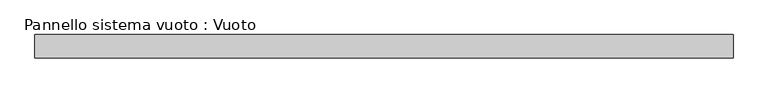
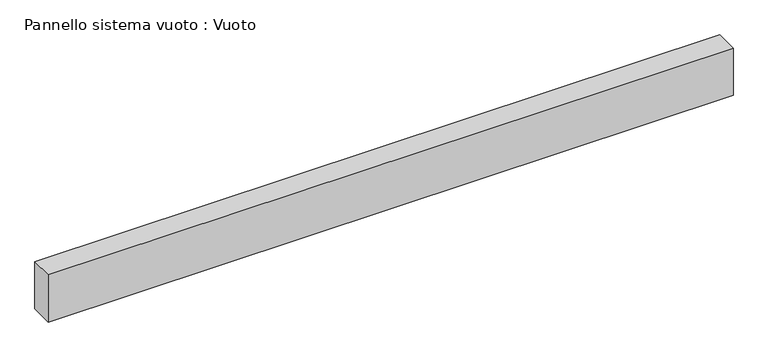
"""IFC4 building model written with IfcOpenShell, lengths in millimetres: plate geometry, Pannello sistema vuoto : Vuoto."""

from ifc_helpers import new_model, si_unit, origin, origin_with_axes, place, context, project, spatial, polyline, outline, extrude, source, transform, mapped, element, save


def pannello_sistema_vuoto_vuoto_1cc1e4dd(model_context):
    return source(origin(), model_context, "Body", "SweptSolid", [
        extrude(outline(polyline([(1500.0, -50.0), (-1500.0, -50.0), (-1500.0, 50.0), (1500.0, 50.0), (1500.0, -50.0)])), origin_with_axes(), (0.0, 0.0, 1.0), 218.675),
    ])


if __name__ == "__main__":
    model = new_model("IFC4")
    model_context = context("Model", 3, world=origin())
    ifc_project = project(units=[si_unit("LENGTHUNIT", "METRE", prefix="MILLI")], contexts=[model_context])
    site = spatial("IfcSite", under=ifc_project)
    building = spatial("IfcBuilding", under=site)
    placement = place(None, origin())
    pannello_sistema_vuoto_vuoto_shape = pannello_sistema_vuoto_vuoto_1cc1e4dd(model_context)
    element("IfcPlate", 1, ObjectType="Pannello sistema vuoto : Vuoto", at=placement, inside=building, context=model_context, shape_type="MappedRepresentation", body=[
        mapped(pannello_sistema_vuoto_vuoto_shape, transform((0.0, 0.0, 0.0), x_axis=(1.0, 0.0, 0.0), y_axis=(0.0, 1.0, 0.0), z_axis=(0.0, 0.0, 1.0))),
    ])
    save(model, "model.ifc")
